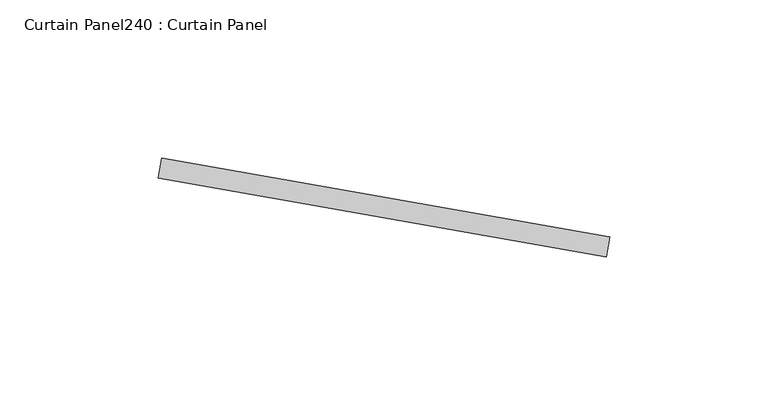
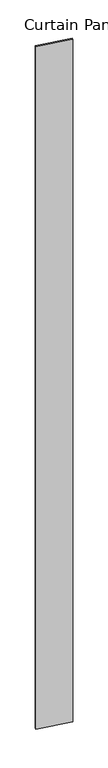
"""IFC4 building model written with IfcOpenShell, lengths in millimetres: plate geometry, Curtain Panel240 : Curtain Panel."""

from ifc_helpers import new_model, si_unit, frame, origin, place, context, project, spatial, polyline, outline, extrude, source, transform, mapped, element, save


def curtain_panel240_curtain_panel_72d2ff00(model_context):
    return source(origin(), model_context, "Body", "SweptSolid", [
        extrude(outline(polyline([(646946.7765956, 2133.1245101), (646805.4011686, 2158.0528123), (646806.5038345, 2164.3063415), (646947.8792616, 2139.3780393), (646946.7765956, 2133.1245101)])), frame((0.0, 0.0, 4959.7989371), z_axis=(0.0, 0.0, 1.0), x_axis=(1.0, 0.0, 0.0)), (0.0, 0.0, 1.0), 3048.0),
    ])


if __name__ == "__main__":
    model = new_model("IFC4")
    model_context = context("Model", 3, world=origin())
    ifc_project = project(units=[si_unit("LENGTHUNIT", "METRE", prefix="MILLI")], contexts=[model_context])
    site = spatial("IfcSite", under=ifc_project)
    building = spatial("IfcBuilding", under=site)
    placement = place(None, origin())
    curtain_panel240_curtain_panel_shape = curtain_panel240_curtain_panel_72d2ff00(model_context)
    element("IfcPlate", 1, ObjectType="Curtain Panel240 : Curtain Panel", at=placement, inside=building, context=model_context, shape_type="MappedRepresentation", body=[
        mapped(curtain_panel240_curtain_panel_shape, transform((0.0, 0.0, 0.0), x_axis=(1.0, 0.0, 0.0), y_axis=(0.0, 1.0, 0.0), z_axis=(0.0, 0.0, 1.0))),
    ])
    save(model, "model.ifc")
